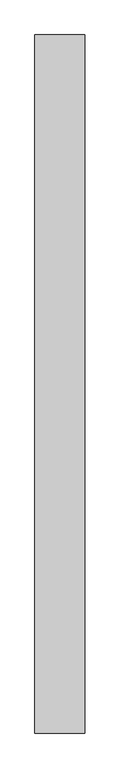
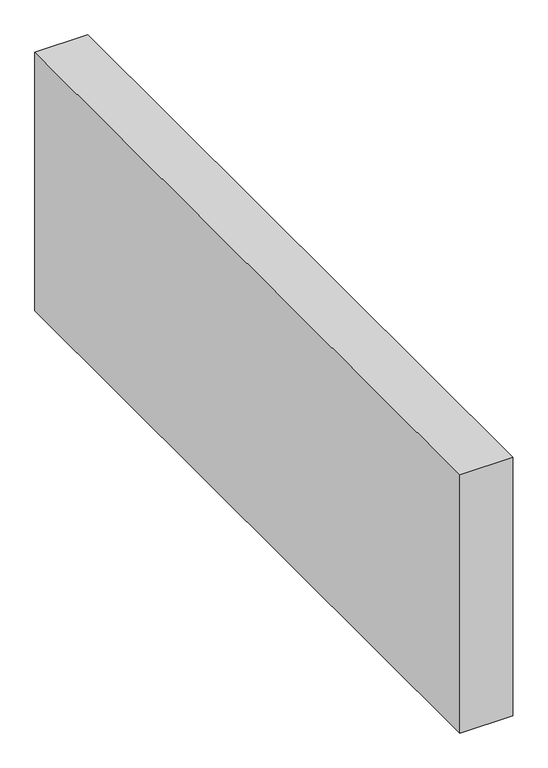
"""IFC4 building model written with IfcOpenShell, lengths in millimetres: proxy geometry."""

from ifc_helpers import new_model, si_unit, origin, origin_with_axes, place, context, project, spatial, polyline, outline, extrude, source, transform, mapped, element, save


def generic_models_1b5847db(model_context):
    return source(origin(), model_context, "Body", "SweptSolid", [
        extrude(outline(polyline([(150.0, 2092.5390713), (150.0, 0.0), (0.0, 0.0), (0.0, 2092.5390713), (150.0, 2092.5390713)])), origin_with_axes(), (0.0, 0.0, 1.0), 776.6553396),
    ])


if __name__ == "__main__":
    model = new_model("IFC4")
    model_context = context("Model", 3, world=origin())
    ifc_project = project(units=[si_unit("LENGTHUNIT", "METRE", prefix="MILLI")], contexts=[model_context])
    site = spatial("IfcSite", under=ifc_project)
    building = spatial("IfcBuilding", under=site)
    placement = place(None, origin())
    generic_models_shape = generic_models_1b5847db(model_context)
    element("IfcBuildingElementProxy", 1, Name="Generic Models", at=placement, inside=building, context=model_context, shape_type="MappedRepresentation", body=[
        mapped(generic_models_shape, transform((0.0, 0.0, 0.0), x_axis=(1.0, 0.0, 0.0), y_axis=(0.0, 1.0, 0.0), z_axis=(0.0, 0.0, 1.0))),
    ])
    save(model, "model.ifc")
